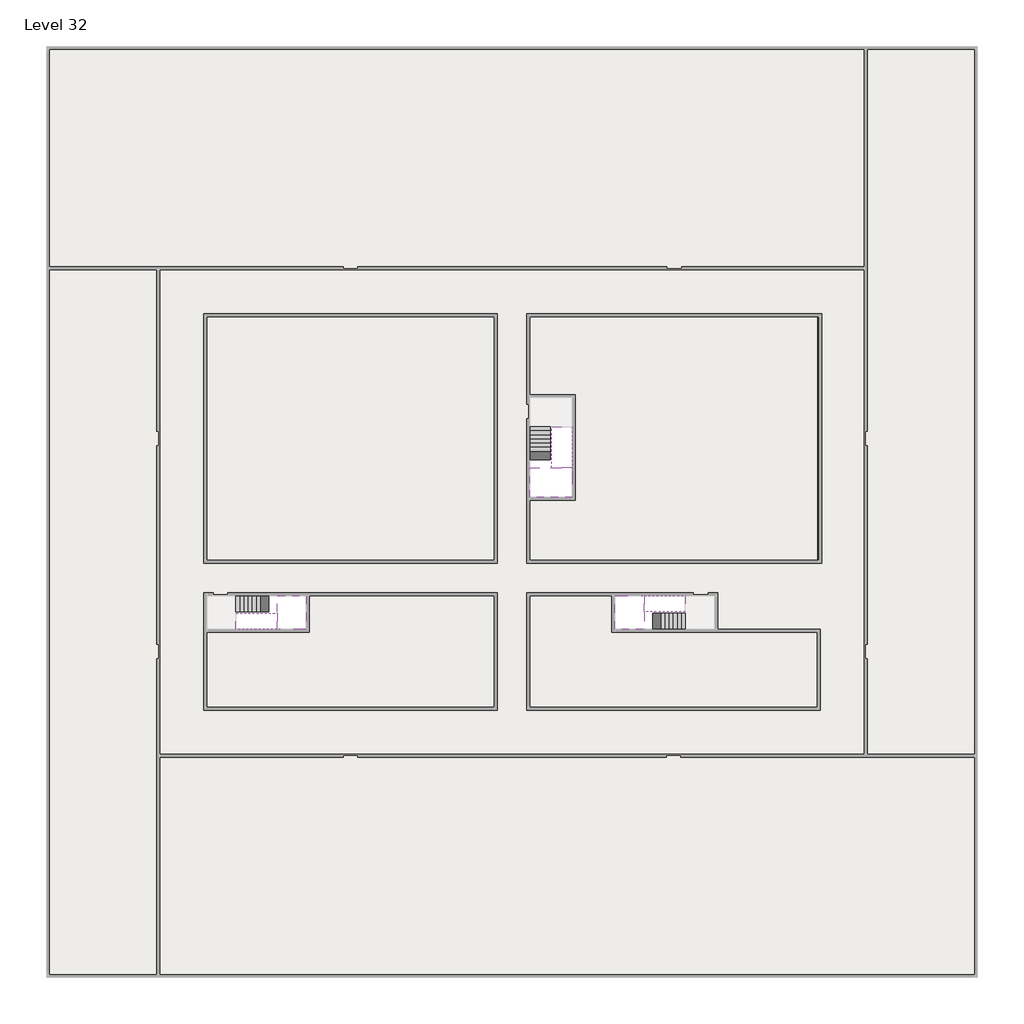
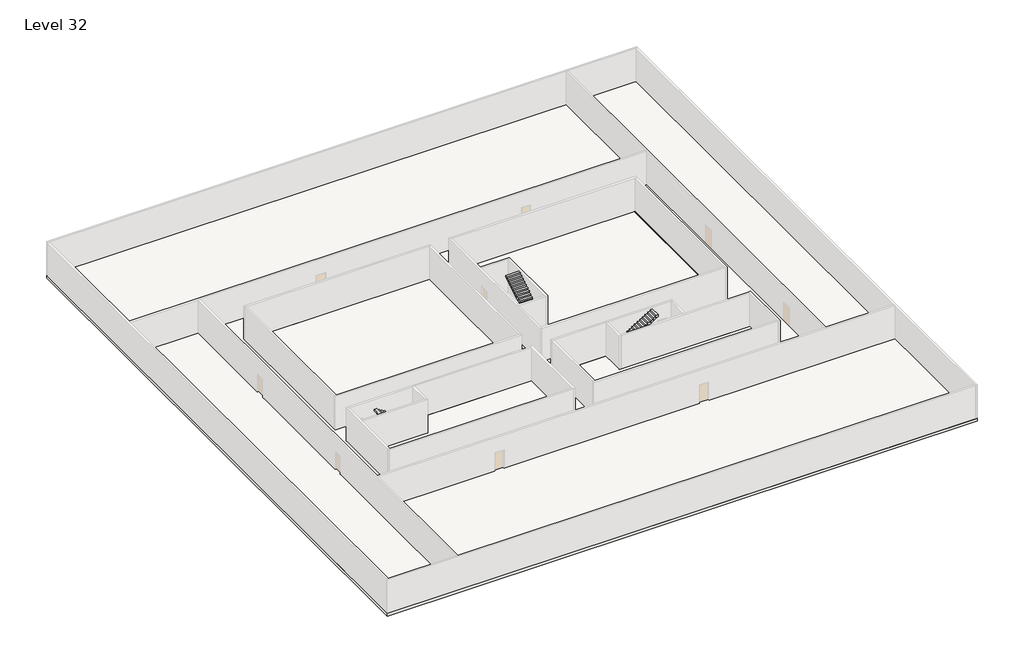
# One storey, part 2 of 2: 6 stair flights, 5 slabs.
"""IFC4 building model written with IfcOpenShell, lengths in millimetres."""

from ifc_helpers import new_model, si_unit, frame, origin, place, context, project, spatial, polyline, outline, extrude, faceted_brep, element, save

model = new_model("IFC4")

# Units and contexts
model_context = context("Model", 3, world=origin())
ifc_project = project(units=[si_unit("LENGTHUNIT", "METRE", prefix="MILLI")], contexts=[model_context])

# Site, building, storey
site = spatial("IfcSite", under=ifc_project)
building = spatial("IfcBuilding", under=site)
storey = spatial("IfcBuildingStorey", under=building, Name="Level 32", Elevation=117800.0)

# Slabs
placement = place(None, origin())
element("IfcSlab", 1, at=placement, inside=storey, context=model_context, shape_type="Brep", body=[
    faceted_brep([(8190.1058784, -42918.09644, 119700.0), (8190.1058784, -44018.09644, 119700.0), (8190.1058784, -44118.09644, 119700.0), (8190.1058784, -45218.09644, 119700.0), (8390.7194421, -45218.09644, 119700.0), (10190.1058784, -45218.09644, 119700.0), (10190.1058784, -42918.09644, 119700.0), (8269.4923146, -42918.09644, 119700.0), (8190.1058784, -42918.09644, 119527.2727273), (8190.1058784, -42918.09644, 119351.0278478), (8190.1058784, -44018.09644, 119351.0278478), (8190.1058784, -44018.09644, 119400.0), (8190.1058784, -44118.09644, 119400.0), (8190.1058784, -44118.09644, 119523.7551205), (8190.1058784, -45218.09644, 119523.7551205), (8390.7194421, -45218.09644, 119400.0), (10190.1058784, -45218.09644, 119400.0), (10190.1058784, -42918.09644, 119400.0), (8269.4923146, -42918.09644, 119400.0), (8390.7194421, -44118.09644, 119400.0), (8269.4923146, -44018.09644, 119400.0)], [[[0, 1, 2, 3, 4, 5, 6, 7]], [[1, 0, 8, 9, 10, 11]], [[2, 1, 11, 12, 13]], [[3, 2, 13, 14]], [[3, 14, 15, 16, 5, 4]], [[6, 5, 16, 17]], [[9, 8, 0, 7, 6, 17, 18]], [[19, 12, 11, 20, 18, 17, 16, 15]], [[12, 19, 13]], [[18, 20, 10, 9]], [[20, 11, 10]], [[19, 15, 14, 13]]]),
])
element("IfcSlab", 2, at=placement, inside=storey, context=model_context, shape_type="Brep", body=[
    faceted_brep([(33190.1058784, -45218.09644, 119700.0), (33190.1058784, -44118.09644, 119700.0), (33190.1058784, -44018.09644, 119700.0), (33190.1058784, -42918.09644, 119700.0), (32989.4923146, -42918.09644, 119700.0), (31190.1058784, -42918.09644, 119700.0), (31190.1058784, -45218.09644, 119700.0), (33110.7194421, -45218.09644, 119700.0), (33190.1058784, -45218.09644, 119527.2727273), (33190.1058784, -45218.09644, 119351.0278478), (33190.1058784, -44118.09644, 119351.0278478), (33190.1058784, -44118.09644, 119400.0), (33190.1058784, -44018.09644, 119400.0), (33190.1058784, -44018.09644, 119523.7551205), (33190.1058784, -42918.09644, 119523.7551205), (32989.4923146, -42918.09644, 119400.0), (31190.1058784, -42918.09644, 119400.0), (31190.1058784, -45218.09644, 119400.0), (33110.7194421, -45218.09644, 119400.0), (32989.4923146, -44018.09644, 119400.0), (33110.7194421, -44118.09644, 119400.0)], [[[0, 1, 2, 3, 4, 5, 6, 7]], [[1, 0, 8, 9, 10, 11]], [[2, 1, 11, 12, 13]], [[3, 2, 13, 14]], [[3, 14, 15, 16, 5, 4]], [[6, 5, 16, 17]], [[9, 8, 0, 7, 6, 17, 18]], [[19, 12, 11, 20, 18, 17, 16, 15]], [[12, 19, 13]], [[18, 20, 10, 9]], [[20, 11, 10]], [[19, 15, 14, 13]]]),
])
element("IfcSlab", 3, at=placement, inside=storey, context=model_context, shape_type="Brep", body=[
    faceted_brep([(26790.1058784, -34218.09644, 119700.0), (25390.1058784, -34218.09644, 119700.0), (25390.1058784, -34297.4828763, 119700.0), (25390.1058784, -36218.09644, 119700.0), (28290.1058784, -36218.09644, 119700.0), (28290.1058784, -34418.7100038, 119700.0), (28290.1058784, -34218.09644, 119700.0), (26890.1058784, -34218.09644, 119700.0), (26790.1058784, -34218.09644, 119400.0), (26790.1058784, -34218.09644, 119351.0278478), (25390.1058784, -34218.09644, 119351.0278478), (25390.1058784, -34218.09644, 119527.2727273), (25390.1058784, -34297.4828763, 119400.0), (25390.1058784, -36218.09644, 119400.0), (28290.1058784, -36218.09644, 119400.0), (28290.1058784, -34418.7100038, 119400.0), (28290.1058784, -34218.09644, 119523.7551205), (26890.1058784, -34218.09644, 119523.7551205), (26890.1058784, -34218.09644, 119400.0), (26890.1058784, -34418.7100038, 119400.0), (26790.1058784, -34297.4828763, 119400.0)], [[[0, 1, 2, 3, 4, 5, 6, 7]], [[1, 0, 8, 9, 10, 11]], [[1, 11, 10, 12, 13, 3, 2]], [[4, 3, 13, 14]], [[4, 14, 15, 16, 6, 5]], [[7, 6, 16, 17]], [[0, 7, 17, 18, 8]], [[18, 19, 15, 14, 13, 12, 20, 8]], [[19, 18, 17]], [[20, 12, 10, 9]], [[8, 20, 9]], [[15, 19, 17, 16]]]),
])
element("IfcSlab", 4, at=placement, inside=storey, context=model_context, shape_type="SweptSolid", body=[
    extrude(outline(polyline([(55890.1058784, -5518.09644), (55890.1058784, -68918.09644), (-7509.8941216, -68918.09644), (-7509.8941216, -5518.09644), (55890.1058784, -5518.09644)]), holes=[polyline([(22990.1058784, -23918.09644), (3390.1058784, -23918.09644), (3390.1058784, -40518.09644), (22990.1058784, -40518.09644), (22990.1058784, -23918.09644)]), polyline([(44990.1058784, -23918.09644), (25390.1058784, -23918.09644), (25390.1058784, -40518.09644), (44990.1058784, -40518.09644), (44990.1058784, -23918.09644)]), polyline([(37990.1058784, -42918.09644), (25390.1058784, -42918.09644), (25390.1058784, -50518.09644), (44990.1058784, -50518.09644), (44990.1058784, -45418.09644), (37990.1058784, -45418.09644), (37990.1058784, -42918.09644)]), polyline([(22990.1058784, -42918.09644), (3390.1058784, -42918.09644), (3390.1058784, -50518.09644), (22990.1058784, -50518.09644), (22990.1058784, -42918.09644)])]), frame((0.0, 0.0, 117500.0), z_axis=(0.0, 0.0, 1.0), x_axis=(1.0, 0.0, 0.0)), (0.0, 0.0, 1.0), 300.0),
])
element("IfcSlab", 5, at=placement, inside=storey, context=model_context, shape_type="SweptSolid", body=[
    extrude(outline(polyline([(22990.1058784, -23918.09644), (22990.1058784, -40518.09644), (3390.1058784, -40518.09644), (3390.1058784, -23918.09644), (22990.1058784, -23918.09644)])), frame((0.0, 0.0, 117500.0), z_axis=(0.0, 0.0, 1.0), x_axis=(1.0, 0.0, 0.0)), (0.0, 0.0, 1.0), 300.0),
    extrude(outline(polyline([(44990.1058784, -23918.09644), (44990.1058784, -40518.09644), (25390.1058784, -40518.09644), (25390.1058784, -36418.09644), (28490.1058784, -36418.09644), (28490.1058784, -29218.09644), (25390.1058784, -29218.09644), (25390.1058784, -23918.09644), (44990.1058784, -23918.09644)])), frame((0.0, 0.0, 117500.0), z_axis=(0.0, 0.0, 1.0), x_axis=(1.0, 0.0, 0.0)), (0.0, 0.0, 1.0), 300.0),
    extrude(outline(polyline([(22990.1058784, -42918.09644), (22990.1058784, -50518.09644), (3390.1058784, -50518.09644), (3390.1058784, -45418.09644), (10390.1058784, -45418.09644), (10390.1058784, -42918.09644), (22990.1058784, -42918.09644)])), frame((0.0, 0.0, 117500.0), z_axis=(0.0, 0.0, 1.0), x_axis=(1.0, 0.0, 0.0)), (0.0, 0.0, 1.0), 300.0),
    extrude(outline(polyline([(30990.1058784, -42918.09644), (30990.1058784, -45418.09644), (44990.1058784, -45418.09644), (44990.1058784, -50518.09644), (25390.1058784, -50518.09644), (25390.1058784, -42918.09644), (30990.1058784, -42918.09644)])), frame((0.0, 0.0, 117500.0), z_axis=(0.0, 0.0, 1.0), x_axis=(1.0, 0.0, 0.0)), (0.0, 0.0, 1.0), 300.0),
])

# Stair flights
element("IfcStairFlight", 6, at=placement, inside=storey, context=model_context, shape_type="Brep", body=[
    faceted_brep([(5670.1058784, -42918.09644, 117972.7272727), (5390.1058784, -42918.09644, 117972.7272727), (5390.1058784, -44018.09644, 117972.7272727), (5670.1058784, -44018.09644, 117972.7272727), (5670.1058784, -42918.09644, 117800.0), (5390.1058784, -42918.09644, 117800.0), (5390.1058784, -44018.09644, 117800.0), (5670.1058784, -44018.09644, 117800.0), (5950.1058784, -42918.09644, 118145.4545455), (5670.1058784, -42918.09644, 118145.4545455), (5670.1058784, -44018.09644, 118145.4545455), (5950.1058784, -44018.09644, 118145.4545455), (5950.1058784, -42918.09644, 117969.209666), (5675.8081041, -42918.09644, 117800.0), (5675.8081041, -44018.09644, 117800.0), (5950.1058784, -44018.09644, 117969.209666), (6230.1058784, -42918.09644, 118318.1818182), (5950.1058784, -42918.09644, 118318.1818182), (5950.1058784, -44018.09644, 118318.1818182), (6230.1058784, -44018.09644, 118318.1818182), (6230.1058784, -42918.09644, 118141.9369387), (6230.1058784, -44018.09644, 118141.9369387), (6510.1058784, -42918.09644, 118490.9090909), (6230.1058784, -42918.09644, 118490.9090909), (6230.1058784, -44018.09644, 118490.9090909), (6510.1058784, -44018.09644, 118490.9090909), (6510.1058784, -42918.09644, 118314.6642114), (6510.1058784, -44018.09644, 118314.6642114), (6790.1058784, -42918.09644, 118663.6363636), (6510.1058784, -42918.09644, 118663.6363636), (6510.1058784, -44018.09644, 118663.6363636), (6790.1058784, -44018.09644, 118663.6363636), (6790.1058784, -42918.09644, 118487.3914841), (6790.1058784, -44018.09644, 118487.3914841), (7070.1058784, -42918.09644, 118836.3636364), (6790.1058784, -42918.09644, 118836.3636364), (6790.1058784, -44018.09644, 118836.3636364), (7070.1058784, -44018.09644, 118836.3636364), (7070.1058784, -42918.09644, 118660.1187569), (7070.1058784, -44018.09644, 118660.1187569), (7350.1058784, -42918.09644, 119009.0909091), (7070.1058784, -42918.09644, 119009.0909091), (7070.1058784, -44018.09644, 119009.0909091), (7350.1058784, -44018.09644, 119009.0909091), (7350.1058784, -42918.09644, 118832.8460296), (7350.1058784, -44018.09644, 118832.8460296), (7630.1058784, -42918.09644, 119181.8181818), (7350.1058784, -42918.09644, 119181.8181818), (7350.1058784, -44018.09644, 119181.8181818), (7630.1058784, -44018.09644, 119181.8181818), (7630.1058784, -42918.09644, 119005.5733023), (7630.1058784, -44018.09644, 119005.5733023), (7910.1058784, -42918.09644, 119354.5454545), (7630.1058784, -42918.09644, 119354.5454545), (7630.1058784, -44018.09644, 119354.5454545), (7910.1058784, -44018.09644, 119354.5454545), (7910.1058784, -42918.09644, 119178.3005751), (7910.1058784, -44018.09644, 119178.3005751), (8190.1058784, -42918.09644, 119527.2727273), (7910.1058784, -42918.09644, 119527.2727273), (7910.1058784, -44018.09644, 119527.2727273), (8190.1058784, -44018.09644, 119527.2727273), (8190.1058784, -42918.09644, 119351.0278478), (8190.1058784, -44018.09644, 119351.0278478), (8190.1058784, -44018.09644, 119400.0)], [[[0, 1, 2, 3]], [[1, 0, 4, 5]], [[2, 1, 5, 6]], [[3, 2, 6, 7]], [[8, 9, 10, 11]], [[4, 0, 9, 8, 12, 13]], [[0, 3, 10, 9]], [[3, 7, 14, 15, 11, 10]], [[16, 17, 18, 19]], [[17, 16, 20, 12, 8]], [[8, 11, 18, 17]], [[19, 18, 11, 15, 21]], [[22, 23, 24, 25]], [[23, 22, 26, 20, 16]], [[16, 19, 24, 23]], [[25, 24, 19, 21, 27]], [[28, 29, 30, 31]], [[29, 28, 32, 26, 22]], [[22, 25, 30, 29]], [[31, 30, 25, 27, 33]], [[34, 35, 36, 37]], [[35, 34, 38, 32, 28]], [[28, 31, 36, 35]], [[37, 36, 31, 33, 39]], [[40, 41, 42, 43]], [[41, 40, 44, 38, 34]], [[34, 37, 42, 41]], [[43, 42, 37, 39, 45]], [[46, 47, 48, 49]], [[47, 46, 50, 44, 40]], [[40, 43, 48, 47]], [[49, 48, 43, 45, 51]], [[52, 53, 54, 55]], [[53, 52, 56, 50, 46]], [[46, 49, 54, 53]], [[55, 54, 49, 51, 57]], [[58, 59, 60, 61]], [[59, 58, 62, 56, 52]], [[52, 55, 60, 59]], [[61, 60, 55, 57, 63, 64]], [[58, 61, 64, 63, 62]], [[5, 4, 13, 14, 7, 6]], [[14, 13, 12, 20, 26, 32, 38, 44, 50, 56, 62, 63, 57, 51, 45, 39, 33, 27, 21, 15]]]),
])
element("IfcStairFlight", 7, at=placement, inside=storey, context=model_context, shape_type="Brep", body=[
    faceted_brep([(7910.1058784, -45218.09644, 119872.7272727), (8190.1058784, -45218.09644, 119872.7272727), (8190.1058784, -44118.09644, 119872.7272727), (7910.1058784, -44118.09644, 119872.7272727), (7910.1058784, -45218.09644, 119696.4823932), (8190.1058784, -45218.09644, 119523.7551205), (8190.1058784, -45218.09644, 119700.0), (8190.1058784, -44118.09644, 119523.7551205), (7910.1058784, -44118.09644, 119696.4823932), (7630.1058784, -45218.09644, 120045.4545455), (7910.1058784, -45218.09644, 120045.4545455), (7910.1058784, -44118.09644, 120045.4545455), (7630.1058784, -44118.09644, 120045.4545455), (7630.1058784, -45218.09644, 119869.209666), (7630.1058784, -44118.09644, 119869.209666), (7350.1058784, -45218.09644, 120218.1818182), (7630.1058784, -45218.09644, 120218.1818182), (7630.1058784, -44118.09644, 120218.1818182), (7350.1058784, -44118.09644, 120218.1818182), (7350.1058784, -45218.09644, 120041.9369387), (7350.1058784, -44118.09644, 120041.9369387), (7070.1058784, -45218.09644, 120390.9090909), (7350.1058784, -45218.09644, 120390.9090909), (7350.1058784, -44118.09644, 120390.9090909), (7070.1058784, -44118.09644, 120390.9090909), (7070.1058784, -45218.09644, 120214.6642114), (7070.1058784, -44118.09644, 120214.6642114), (6790.1058784, -45218.09644, 120563.6363636), (7070.1058784, -45218.09644, 120563.6363636), (7070.1058784, -44118.09644, 120563.6363636), (6790.1058784, -44118.09644, 120563.6363636), (6790.1058784, -45218.09644, 120387.3914841), (6790.1058784, -44118.09644, 120387.3914841), (6510.1058784, -45218.09644, 120736.3636364), (6790.1058784, -45218.09644, 120736.3636364), (6790.1058784, -44118.09644, 120736.3636364), (6510.1058784, -44118.09644, 120736.3636364), (6510.1058784, -45218.09644, 120560.1187569), (6510.1058784, -44118.09644, 120560.1187569), (6230.1058784, -45218.09644, 120909.0909091), (6510.1058784, -45218.09644, 120909.0909091), (6510.1058784, -44118.09644, 120909.0909091), (6230.1058784, -44118.09644, 120909.0909091), (6230.1058784, -45218.09644, 120732.8460296), (6230.1058784, -44118.09644, 120732.8460296), (5950.1058784, -45218.09644, 121081.8181818), (6230.1058784, -45218.09644, 121081.8181818), (6230.1058784, -44118.09644, 121081.8181818), (5950.1058784, -44118.09644, 121081.8181818), (5950.1058784, -45218.09644, 120905.5733023), (5950.1058784, -44118.09644, 120905.5733023), (5670.1058784, -45218.09644, 121254.5454545), (5950.1058784, -45218.09644, 121254.5454545), (5950.1058784, -44118.09644, 121254.5454545), (5670.1058784, -44118.09644, 121254.5454545), (5670.1058784, -45218.09644, 121078.3005751), (5670.1058784, -44118.09644, 121078.3005751), (5390.1058784, -45218.09644, 121427.2727273), (5670.1058784, -45218.09644, 121427.2727273), (5670.1058784, -44118.09644, 121427.2727273), (5390.1058784, -44118.09644, 121427.2727273), (5390.1058784, -45218.09644, 121251.0278478), (5390.1058784, -44118.09644, 121251.0278478)], [[[0, 1, 2, 3]], [[1, 0, 4, 5, 6]], [[2, 1, 6, 5, 7]], [[3, 2, 7, 8]], [[9, 10, 11, 12]], [[10, 9, 13, 4, 0]], [[11, 10, 0, 3]], [[12, 11, 3, 8, 14]], [[15, 16, 17, 18]], [[16, 15, 19, 13, 9]], [[17, 16, 9, 12]], [[18, 17, 12, 14, 20]], [[21, 22, 23, 24]], [[22, 21, 25, 19, 15]], [[23, 22, 15, 18]], [[24, 23, 18, 20, 26]], [[27, 28, 29, 30]], [[28, 27, 31, 25, 21]], [[29, 28, 21, 24]], [[30, 29, 24, 26, 32]], [[33, 34, 35, 36]], [[34, 33, 37, 31, 27]], [[35, 34, 27, 30]], [[36, 35, 30, 32, 38]], [[39, 40, 41, 42]], [[40, 39, 43, 37, 33]], [[41, 40, 33, 36]], [[42, 41, 36, 38, 44]], [[45, 46, 47, 48]], [[46, 45, 49, 43, 39]], [[47, 46, 39, 42]], [[48, 47, 42, 44, 50]], [[51, 52, 53, 54]], [[52, 51, 55, 49, 45]], [[53, 52, 45, 48]], [[54, 53, 48, 50, 56]], [[57, 58, 59, 60]], [[58, 57, 61, 55, 51]], [[59, 58, 51, 54]], [[60, 59, 54, 56, 62]], [[57, 60, 62, 61]], [[5, 4, 13, 19, 25, 31, 37, 43, 49, 55, 61, 62, 56, 50, 44, 38, 32, 26, 20, 14, 8, 7]]]),
])
element("IfcStairFlight", 8, at=placement, inside=storey, context=model_context, shape_type="Brep", body=[
    faceted_brep([(35710.1058784, -45218.09644, 117972.7272727), (35990.1058784, -45218.09644, 117972.7272727), (35990.1058784, -44118.09644, 117972.7272727), (35710.1058784, -44118.09644, 117972.7272727), (35710.1058784, -45218.09644, 117800.0), (35990.1058784, -45218.09644, 117800.0), (35990.1058784, -44118.09644, 117800.0), (35710.1058784, -44118.09644, 117800.0), (35430.1058784, -45218.09644, 118145.4545455), (35710.1058784, -45218.09644, 118145.4545455), (35710.1058784, -44118.09644, 118145.4545455), (35430.1058784, -44118.09644, 118145.4545455), (35430.1058784, -45218.09644, 117969.209666), (35704.4036527, -45218.09644, 117800.0), (35704.4036527, -44118.09644, 117800.0), (35430.1058784, -44118.09644, 117969.209666), (35150.1058784, -45218.09644, 118318.1818182), (35430.1058784, -45218.09644, 118318.1818182), (35430.1058784, -44118.09644, 118318.1818182), (35150.1058784, -44118.09644, 118318.1818182), (35150.1058784, -45218.09644, 118141.9369387), (35150.1058784, -44118.09644, 118141.9369387), (34870.1058784, -45218.09644, 118490.9090909), (35150.1058784, -45218.09644, 118490.9090909), (35150.1058784, -44118.09644, 118490.9090909), (34870.1058784, -44118.09644, 118490.9090909), (34870.1058784, -45218.09644, 118314.6642114), (34870.1058784, -44118.09644, 118314.6642114), (34590.1058784, -45218.09644, 118663.6363636), (34870.1058784, -45218.09644, 118663.6363636), (34870.1058784, -44118.09644, 118663.6363636), (34590.1058784, -44118.09644, 118663.6363636), (34590.1058784, -45218.09644, 118487.3914841), (34590.1058784, -44118.09644, 118487.3914841), (34310.1058784, -45218.09644, 118836.3636364), (34590.1058784, -45218.09644, 118836.3636364), (34590.1058784, -44118.09644, 118836.3636364), (34310.1058784, -44118.09644, 118836.3636364), (34310.1058784, -45218.09644, 118660.1187569), (34310.1058784, -44118.09644, 118660.1187569), (34030.1058784, -45218.09644, 119009.0909091), (34310.1058784, -45218.09644, 119009.0909091), (34310.1058784, -44118.09644, 119009.0909091), (34030.1058784, -44118.09644, 119009.0909091), (34030.1058784, -45218.09644, 118832.8460296), (34030.1058784, -44118.09644, 118832.8460296), (33750.1058784, -45218.09644, 119181.8181818), (34030.1058784, -45218.09644, 119181.8181818), (34030.1058784, -44118.09644, 119181.8181818), (33750.1058784, -44118.09644, 119181.8181818), (33750.1058784, -45218.09644, 119005.5733023), (33750.1058784, -44118.09644, 119005.5733023), (33470.1058784, -45218.09644, 119354.5454545), (33750.1058784, -45218.09644, 119354.5454545), (33750.1058784, -44118.09644, 119354.5454545), (33470.1058784, -44118.09644, 119354.5454545), (33470.1058784, -45218.09644, 119178.3005751), (33470.1058784, -44118.09644, 119178.3005751), (33190.1058784, -45218.09644, 119527.2727273), (33470.1058784, -45218.09644, 119527.2727273), (33470.1058784, -44118.09644, 119527.2727273), (33190.1058784, -44118.09644, 119527.2727273), (33190.1058784, -45218.09644, 119351.0278478), (33190.1058784, -44118.09644, 119351.0278478), (33190.1058784, -44118.09644, 119400.0)], [[[0, 1, 2, 3]], [[1, 0, 4, 5]], [[2, 1, 5, 6]], [[3, 2, 6, 7]], [[8, 9, 10, 11]], [[4, 0, 9, 8, 12, 13]], [[0, 3, 10, 9]], [[3, 7, 14, 15, 11, 10]], [[16, 17, 18, 19]], [[17, 16, 20, 12, 8]], [[8, 11, 18, 17]], [[19, 18, 11, 15, 21]], [[22, 23, 24, 25]], [[23, 22, 26, 20, 16]], [[16, 19, 24, 23]], [[25, 24, 19, 21, 27]], [[28, 29, 30, 31]], [[29, 28, 32, 26, 22]], [[22, 25, 30, 29]], [[31, 30, 25, 27, 33]], [[34, 35, 36, 37]], [[35, 34, 38, 32, 28]], [[28, 31, 36, 35]], [[37, 36, 31, 33, 39]], [[40, 41, 42, 43]], [[41, 40, 44, 38, 34]], [[34, 37, 42, 41]], [[43, 42, 37, 39, 45]], [[46, 47, 48, 49]], [[47, 46, 50, 44, 40]], [[40, 43, 48, 47]], [[49, 48, 43, 45, 51]], [[52, 53, 54, 55]], [[53, 52, 56, 50, 46]], [[46, 49, 54, 53]], [[55, 54, 49, 51, 57]], [[58, 59, 60, 61]], [[59, 58, 62, 56, 52]], [[52, 55, 60, 59]], [[61, 60, 55, 57, 63, 64]], [[58, 61, 64, 63, 62]], [[5, 4, 13, 14, 7, 6]], [[14, 13, 12, 20, 26, 32, 38, 44, 50, 56, 62, 63, 57, 51, 45, 39, 33, 27, 21, 15]]]),
])
element("IfcStairFlight", 9, at=placement, inside=storey, context=model_context, shape_type="Brep", body=[
    faceted_brep([(33470.1058784, -42918.09644, 119872.7272727), (33190.1058784, -42918.09644, 119872.7272727), (33190.1058784, -44018.09644, 119872.7272727), (33470.1058784, -44018.09644, 119872.7272727), (33470.1058784, -42918.09644, 119696.4823932), (33190.1058784, -42918.09644, 119523.7551205), (33190.1058784, -42918.09644, 119700.0), (33190.1058784, -44018.09644, 119523.7551205), (33470.1058784, -44018.09644, 119696.4823932), (33750.1058784, -42918.09644, 120045.4545455), (33470.1058784, -42918.09644, 120045.4545455), (33470.1058784, -44018.09644, 120045.4545455), (33750.1058784, -44018.09644, 120045.4545455), (33750.1058784, -42918.09644, 119869.209666), (33750.1058784, -44018.09644, 119869.209666), (34030.1058784, -42918.09644, 120218.1818182), (33750.1058784, -42918.09644, 120218.1818182), (33750.1058784, -44018.09644, 120218.1818182), (34030.1058784, -44018.09644, 120218.1818182), (34030.1058784, -42918.09644, 120041.9369387), (34030.1058784, -44018.09644, 120041.9369387), (34310.1058784, -42918.09644, 120390.9090909), (34030.1058784, -42918.09644, 120390.9090909), (34030.1058784, -44018.09644, 120390.9090909), (34310.1058784, -44018.09644, 120390.9090909), (34310.1058784, -42918.09644, 120214.6642114), (34310.1058784, -44018.09644, 120214.6642114), (34590.1058784, -42918.09644, 120563.6363636), (34310.1058784, -42918.09644, 120563.6363636), (34310.1058784, -44018.09644, 120563.6363636), (34590.1058784, -44018.09644, 120563.6363636), (34590.1058784, -42918.09644, 120387.3914841), (34590.1058784, -44018.09644, 120387.3914841), (34870.1058784, -42918.09644, 120736.3636364), (34590.1058784, -42918.09644, 120736.3636364), (34590.1058784, -44018.09644, 120736.3636364), (34870.1058784, -44018.09644, 120736.3636364), (34870.1058784, -42918.09644, 120560.1187569), (34870.1058784, -44018.09644, 120560.1187569), (35150.1058784, -42918.09644, 120909.0909091), (34870.1058784, -42918.09644, 120909.0909091), (34870.1058784, -44018.09644, 120909.0909091), (35150.1058784, -44018.09644, 120909.0909091), (35150.1058784, -42918.09644, 120732.8460296), (35150.1058784, -44018.09644, 120732.8460296), (35430.1058784, -42918.09644, 121081.8181818), (35150.1058784, -42918.09644, 121081.8181818), (35150.1058784, -44018.09644, 121081.8181818), (35430.1058784, -44018.09644, 121081.8181818), (35430.1058784, -42918.09644, 120905.5733023), (35430.1058784, -44018.09644, 120905.5733023), (35710.1058784, -42918.09644, 121254.5454545), (35430.1058784, -42918.09644, 121254.5454545), (35430.1058784, -44018.09644, 121254.5454545), (35710.1058784, -44018.09644, 121254.5454545), (35710.1058784, -42918.09644, 121078.3005751), (35710.1058784, -44018.09644, 121078.3005751), (35990.1058784, -42918.09644, 121427.2727273), (35710.1058784, -42918.09644, 121427.2727273), (35710.1058784, -44018.09644, 121427.2727273), (35990.1058784, -44018.09644, 121427.2727273), (35990.1058784, -42918.09644, 121251.0278478), (35990.1058784, -44018.09644, 121251.0278478)], [[[0, 1, 2, 3]], [[1, 0, 4, 5, 6]], [[2, 1, 6, 5, 7]], [[3, 2, 7, 8]], [[9, 10, 11, 12]], [[10, 9, 13, 4, 0]], [[11, 10, 0, 3]], [[12, 11, 3, 8, 14]], [[15, 16, 17, 18]], [[16, 15, 19, 13, 9]], [[17, 16, 9, 12]], [[18, 17, 12, 14, 20]], [[21, 22, 23, 24]], [[22, 21, 25, 19, 15]], [[23, 22, 15, 18]], [[24, 23, 18, 20, 26]], [[27, 28, 29, 30]], [[28, 27, 31, 25, 21]], [[29, 28, 21, 24]], [[30, 29, 24, 26, 32]], [[33, 34, 35, 36]], [[34, 33, 37, 31, 27]], [[35, 34, 27, 30]], [[36, 35, 30, 32, 38]], [[39, 40, 41, 42]], [[40, 39, 43, 37, 33]], [[41, 40, 33, 36]], [[42, 41, 36, 38, 44]], [[45, 46, 47, 48]], [[46, 45, 49, 43, 39]], [[47, 46, 39, 42]], [[48, 47, 42, 44, 50]], [[51, 52, 53, 54]], [[52, 51, 55, 49, 45]], [[53, 52, 45, 48]], [[54, 53, 48, 50, 56]], [[57, 58, 59, 60]], [[58, 57, 61, 55, 51]], [[59, 58, 51, 54]], [[60, 59, 54, 56, 62]], [[57, 60, 62, 61]], [[5, 4, 13, 19, 25, 31, 37, 43, 49, 55, 61, 62, 56, 50, 44, 38, 32, 26, 20, 14, 8, 7]]]),
])
element("IfcStairFlight", 10, at=placement, inside=storey, context=model_context, shape_type="Brep", body=[
    faceted_brep([(26790.1058784, -31698.09644, 117972.7272727), (26790.1058784, -31418.09644, 117972.7272727), (25390.1058784, -31418.09644, 117972.7272727), (25390.1058784, -31698.09644, 117972.7272727), (26790.1058784, -31698.09644, 117800.0), (26790.1058784, -31418.09644, 117800.0), (25390.1058784, -31418.09644, 117800.0), (25390.1058784, -31698.09644, 117800.0), (26790.1058784, -31978.09644, 118145.4545455), (26790.1058784, -31698.09644, 118145.4545455), (25390.1058784, -31698.09644, 118145.4545455), (25390.1058784, -31978.09644, 118145.4545455), (26790.1058784, -31978.09644, 117969.209666), (26790.1058784, -31703.7986657, 117800.0), (25390.1058784, -31703.7986657, 117800.0), (25390.1058784, -31978.09644, 117969.209666), (26790.1058784, -32258.09644, 118318.1818182), (26790.1058784, -31978.09644, 118318.1818182), (25390.1058784, -31978.09644, 118318.1818182), (25390.1058784, -32258.09644, 118318.1818182), (26790.1058784, -32258.09644, 118141.9369387), (25390.1058784, -32258.09644, 118141.9369387), (26790.1058784, -32538.09644, 118490.9090909), (26790.1058784, -32258.09644, 118490.9090909), (25390.1058784, -32258.09644, 118490.9090909), (25390.1058784, -32538.09644, 118490.9090909), (26790.1058784, -32538.09644, 118314.6642114), (25390.1058784, -32538.09644, 118314.6642114), (26790.1058784, -32818.09644, 118663.6363636), (26790.1058784, -32538.09644, 118663.6363636), (25390.1058784, -32538.09644, 118663.6363636), (25390.1058784, -32818.09644, 118663.6363636), (26790.1058784, -32818.09644, 118487.3914841), (25390.1058784, -32818.09644, 118487.3914841), (26790.1058784, -33098.09644, 118836.3636364), (26790.1058784, -32818.09644, 118836.3636364), (25390.1058784, -32818.09644, 118836.3636364), (25390.1058784, -33098.09644, 118836.3636364), (26790.1058784, -33098.09644, 118660.1187569), (25390.1058784, -33098.09644, 118660.1187569), (26790.1058784, -33378.09644, 119009.0909091), (26790.1058784, -33098.09644, 119009.0909091), (25390.1058784, -33098.09644, 119009.0909091), (25390.1058784, -33378.09644, 119009.0909091), (26790.1058784, -33378.09644, 118832.8460296), (25390.1058784, -33378.09644, 118832.8460296), (26790.1058784, -33658.09644, 119181.8181818), (26790.1058784, -33378.09644, 119181.8181818), (25390.1058784, -33378.09644, 119181.8181818), (25390.1058784, -33658.09644, 119181.8181818), (26790.1058784, -33658.09644, 119005.5733023), (25390.1058784, -33658.09644, 119005.5733023), (26790.1058784, -33938.09644, 119354.5454545), (26790.1058784, -33658.09644, 119354.5454545), (25390.1058784, -33658.09644, 119354.5454545), (25390.1058784, -33938.09644, 119354.5454545), (26790.1058784, -33938.09644, 119178.3005751), (25390.1058784, -33938.09644, 119178.3005751), (26790.1058784, -34218.09644, 119527.2727273), (26790.1058784, -33938.09644, 119527.2727273), (25390.1058784, -33938.09644, 119527.2727273), (25390.1058784, -34218.09644, 119527.2727273), (26790.1058784, -34218.09644, 119400.0), (26790.1058784, -34218.09644, 119351.0278478), (25390.1058784, -34218.09644, 119351.0278478)], [[[0, 1, 2, 3]], [[1, 0, 4, 5]], [[2, 1, 5, 6]], [[3, 2, 6, 7]], [[8, 9, 10, 11]], [[4, 0, 9, 8, 12, 13]], [[0, 3, 10, 9]], [[3, 7, 14, 15, 11, 10]], [[16, 17, 18, 19]], [[17, 16, 20, 12, 8]], [[8, 11, 18, 17]], [[19, 18, 11, 15, 21]], [[22, 23, 24, 25]], [[23, 22, 26, 20, 16]], [[16, 19, 24, 23]], [[25, 24, 19, 21, 27]], [[28, 29, 30, 31]], [[29, 28, 32, 26, 22]], [[22, 25, 30, 29]], [[31, 30, 25, 27, 33]], [[34, 35, 36, 37]], [[35, 34, 38, 32, 28]], [[28, 31, 36, 35]], [[37, 36, 31, 33, 39]], [[40, 41, 42, 43]], [[41, 40, 44, 38, 34]], [[34, 37, 42, 41]], [[43, 42, 37, 39, 45]], [[46, 47, 48, 49]], [[47, 46, 50, 44, 40]], [[40, 43, 48, 47]], [[49, 48, 43, 45, 51]], [[52, 53, 54, 55]], [[53, 52, 56, 50, 46]], [[46, 49, 54, 53]], [[55, 54, 49, 51, 57]], [[58, 59, 60, 61]], [[59, 58, 62, 63, 56, 52]], [[52, 55, 60, 59]], [[61, 60, 55, 57, 64]], [[58, 61, 64, 63, 62]], [[5, 4, 13, 14, 7, 6]], [[14, 13, 12, 20, 26, 32, 38, 44, 50, 56, 63, 64, 57, 51, 45, 39, 33, 27, 21, 15]]]),
])
element("IfcStairFlight", 11, at=placement, inside=storey, context=model_context, shape_type="Brep", body=[
    faceted_brep([(26890.1058784, -33938.09644, 119872.7272727), (26890.1058784, -34218.09644, 119872.7272727), (28290.1058784, -34218.09644, 119872.7272727), (28290.1058784, -33938.09644, 119872.7272727), (26890.1058784, -33938.09644, 119696.4823932), (26890.1058784, -34218.09644, 119523.7551205), (28290.1058784, -34218.09644, 119523.7551205), (28290.1058784, -34218.09644, 119700.0), (28290.1058784, -33938.09644, 119696.4823932), (26890.1058784, -33658.09644, 120045.4545455), (26890.1058784, -33938.09644, 120045.4545455), (28290.1058784, -33938.09644, 120045.4545455), (28290.1058784, -33658.09644, 120045.4545455), (26890.1058784, -33658.09644, 119869.209666), (28290.1058784, -33658.09644, 119869.209666), (26890.1058784, -33378.09644, 120218.1818182), (26890.1058784, -33658.09644, 120218.1818182), (28290.1058784, -33658.09644, 120218.1818182), (28290.1058784, -33378.09644, 120218.1818182), (26890.1058784, -33378.09644, 120041.9369387), (28290.1058784, -33378.09644, 120041.9369387), (26890.1058784, -33098.09644, 120390.9090909), (26890.1058784, -33378.09644, 120390.9090909), (28290.1058784, -33378.09644, 120390.9090909), (28290.1058784, -33098.09644, 120390.9090909), (26890.1058784, -33098.09644, 120214.6642114), (28290.1058784, -33098.09644, 120214.6642114), (26890.1058784, -32818.09644, 120563.6363636), (26890.1058784, -33098.09644, 120563.6363636), (28290.1058784, -33098.09644, 120563.6363636), (28290.1058784, -32818.09644, 120563.6363636), (26890.1058784, -32818.09644, 120387.3914841), (28290.1058784, -32818.09644, 120387.3914841), (26890.1058784, -32538.09644, 120736.3636364), (26890.1058784, -32818.09644, 120736.3636364), (28290.1058784, -32818.09644, 120736.3636364), (28290.1058784, -32538.09644, 120736.3636364), (26890.1058784, -32538.09644, 120560.1187569), (28290.1058784, -32538.09644, 120560.1187569), (26890.1058784, -32258.09644, 120909.0909091), (26890.1058784, -32538.09644, 120909.0909091), (28290.1058784, -32538.09644, 120909.0909091), (28290.1058784, -32258.09644, 120909.0909091), (26890.1058784, -32258.09644, 120732.8460296), (28290.1058784, -32258.09644, 120732.8460296), (26890.1058784, -31978.09644, 121081.8181818), (26890.1058784, -32258.09644, 121081.8181818), (28290.1058784, -32258.09644, 121081.8181818), (28290.1058784, -31978.09644, 121081.8181818), (26890.1058784, -31978.09644, 120905.5733023), (28290.1058784, -31978.09644, 120905.5733023), (26890.1058784, -31698.09644, 121254.5454545), (26890.1058784, -31978.09644, 121254.5454545), (28290.1058784, -31978.09644, 121254.5454545), (28290.1058784, -31698.09644, 121254.5454545), (26890.1058784, -31698.09644, 121078.3005751), (28290.1058784, -31698.09644, 121078.3005751), (26890.1058784, -31418.09644, 121427.2727273), (26890.1058784, -31698.09644, 121427.2727273), (28290.1058784, -31698.09644, 121427.2727273), (28290.1058784, -31418.09644, 121427.2727273), (26890.1058784, -31418.09644, 121251.0278478), (28290.1058784, -31418.09644, 121251.0278478)], [[[0, 1, 2, 3]], [[1, 0, 4, 5]], [[2, 1, 5, 6, 7]], [[3, 2, 7, 6, 8]], [[9, 10, 11, 12]], [[10, 9, 13, 4, 0]], [[11, 10, 0, 3]], [[12, 11, 3, 8, 14]], [[15, 16, 17, 18]], [[16, 15, 19, 13, 9]], [[17, 16, 9, 12]], [[18, 17, 12, 14, 20]], [[21, 22, 23, 24]], [[22, 21, 25, 19, 15]], [[23, 22, 15, 18]], [[24, 23, 18, 20, 26]], [[27, 28, 29, 30]], [[28, 27, 31, 25, 21]], [[29, 28, 21, 24]], [[30, 29, 24, 26, 32]], [[33, 34, 35, 36]], [[34, 33, 37, 31, 27]], [[35, 34, 27, 30]], [[36, 35, 30, 32, 38]], [[39, 40, 41, 42]], [[40, 39, 43, 37, 33]], [[41, 40, 33, 36]], [[42, 41, 36, 38, 44]], [[45, 46, 47, 48]], [[46, 45, 49, 43, 39]], [[47, 46, 39, 42]], [[48, 47, 42, 44, 50]], [[51, 52, 53, 54]], [[52, 51, 55, 49, 45]], [[53, 52, 45, 48]], [[54, 53, 48, 50, 56]], [[57, 58, 59, 60]], [[58, 57, 61, 55, 51]], [[59, 58, 51, 54]], [[60, 59, 54, 56, 62]], [[57, 60, 62, 61]], [[5, 4, 13, 19, 25, 31, 37, 43, 49, 55, 61, 62, 56, 50, 44, 38, 32, 26, 20, 14, 8, 6]]]),
])

save(model, "model.ifc")
